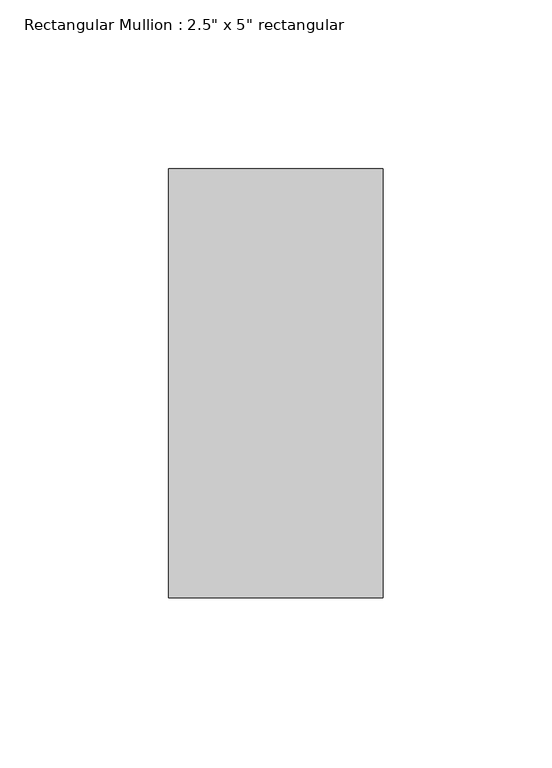
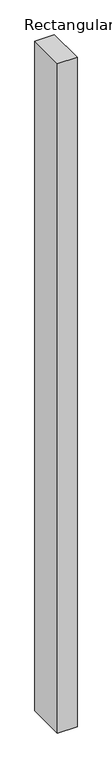
"""IFC4 building model written with IfcOpenShell, lengths in millimetres: member geometry."""

from ifc_helpers import new_model, si_unit, frame, origin, place, context, project, spatial, polyline, outline, extrude, source, transform, mapped, element, save


def member_3fbb5cd5(model_context):
    return source(origin(), model_context, "Body", "SweptSolid", [
        extrude(outline(polyline([(0.0, 63.5), (0.0, -63.5), (-63.5, -63.5), (-63.5, 63.5), (0.0, 63.5)])), frame((0.0, 0.0, -2298.7), z_axis=(0.0, 0.0, 1.0), x_axis=(1.0, 0.0, 0.0)), (0.0, 0.0, 1.0), 2298.7),
    ])


if __name__ == "__main__":
    model = new_model("IFC4")
    model_context = context("Model", 3, world=origin())
    ifc_project = project(units=[si_unit("LENGTHUNIT", "METRE", prefix="MILLI")], contexts=[model_context])
    site = spatial("IfcSite", under=ifc_project)
    building = spatial("IfcBuilding", under=site)
    placement = place(None, origin())
    member_shape = member_3fbb5cd5(model_context)
    element("IfcMember", 1, ObjectType="Rectangular Mullion : 2.5\" x 5\" rectangular", at=placement, inside=building, context=model_context, shape_type="MappedRepresentation", body=[
        mapped(member_shape, transform((0.0, 0.0, 0.0), x_axis=(1.0, 0.0, 0.0), y_axis=(0.0, 1.0, 0.0), z_axis=(0.0, 0.0, 1.0))),
    ])
    save(model, "model.ifc")
